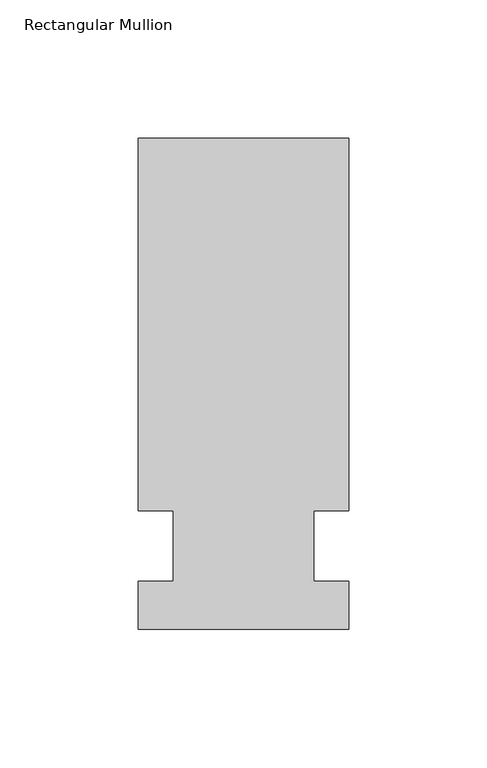
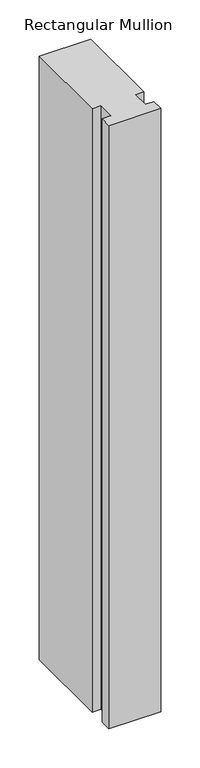
"""IFC4 building model written with IfcOpenShell, lengths in millimetres: member geometry, Rectangular Mullion."""

from ifc_helpers import new_model, si_unit, frame, origin, place, context, project, spatial, polyline, outline, extrude, source, transform, mapped, element, save


def rectangular_mullion_84f7ef1c(model_context):
    return source(origin(), model_context, "Body", "SweptSolid", [
        extrude(outline(polyline([(42.4344027, 147.6375), (42.4344027, 12.7), (29.7326322, 12.7), (29.7326322, -12.7), (42.4344027, -12.7), (42.4344027, -30.1625), (-33.7655973, -30.1625), (-33.7655973, -12.7), (-21.0655973, -12.7), (-21.0655973, 12.7), (-33.7655973, 12.7), (-33.7655973, 147.6375), (42.4344027, 147.6375)])), frame((0.0, 0.0, -939.8), z_axis=(0.0, 0.0, 1.0), x_axis=(1.0, 0.0, 0.0)), (0.0, 0.0, 1.0), 939.8),
    ])


if __name__ == "__main__":
    model = new_model("IFC4")
    model_context = context("Model", 3, world=origin())
    ifc_project = project(units=[si_unit("LENGTHUNIT", "METRE", prefix="MILLI")], contexts=[model_context])
    site = spatial("IfcSite", under=ifc_project)
    building = spatial("IfcBuilding", under=site)
    placement = place(None, origin())
    rectangular_mullion_shape = rectangular_mullion_84f7ef1c(model_context)
    element("IfcMember", 1, ObjectType="Rectangular Mullion", at=placement, inside=building, context=model_context, shape_type="MappedRepresentation", body=[
        mapped(rectangular_mullion_shape, transform((0.0, 0.0, 0.0), x_axis=(1.0, 0.0, 0.0), y_axis=(0.0, 1.0, 0.0), z_axis=(0.0, 0.0, 1.0))),
    ])
    save(model, "model.ifc")
